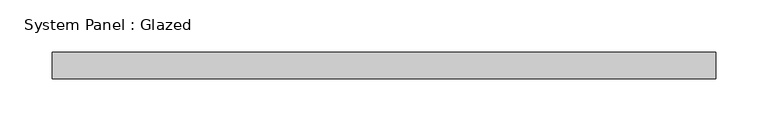
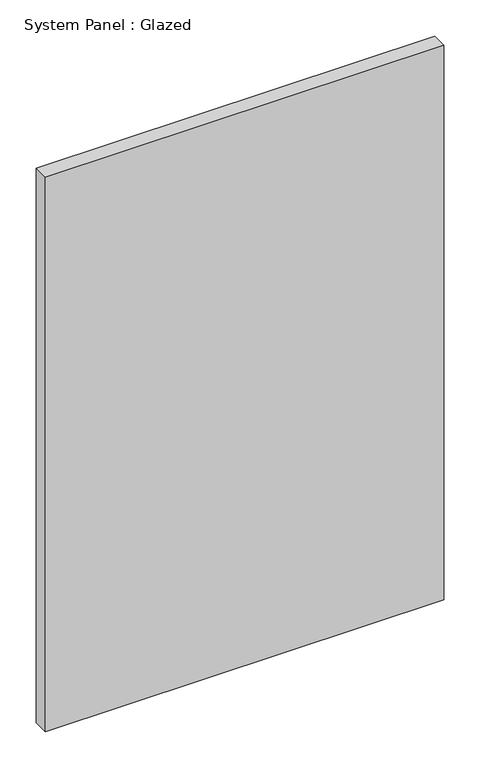
"""IFC4 building model written with IfcOpenShell, lengths in millimetres: plate geometry, System Panel : Glazed."""

from ifc_helpers import new_model, si_unit, origin, origin_with_axes, place, context, project, spatial, polyline, outline, extrude, source, transform, mapped, element, save


def system_panel_glazed_a16a3bbd(model_context):
    return source(origin(), model_context, "Body", "SweptSolid", [
        extrude(outline(polyline([(318.25, -44.45), (-318.25, -44.45), (-318.25, -19.05), (318.25, -19.05), (318.25, -44.45)])), origin_with_axes(), (0.0, 0.0, 1.0), 936.5),
    ])


if __name__ == "__main__":
    model = new_model("IFC4")
    model_context = context("Model", 3, world=origin())
    ifc_project = project(units=[si_unit("LENGTHUNIT", "METRE", prefix="MILLI")], contexts=[model_context])
    site = spatial("IfcSite", under=ifc_project)
    building = spatial("IfcBuilding", under=site)
    placement = place(None, origin())
    system_panel_glazed_shape = system_panel_glazed_a16a3bbd(model_context)
    element("IfcPlate", 1, ObjectType="System Panel : Glazed", at=placement, inside=building, context=model_context, shape_type="MappedRepresentation", body=[
        mapped(system_panel_glazed_shape, transform((0.0, 0.0, 0.0), x_axis=(1.0, 0.0, 0.0), y_axis=(0.0, 1.0, 0.0), z_axis=(0.0, 0.0, 1.0))),
    ])
    save(model, "model.ifc")
